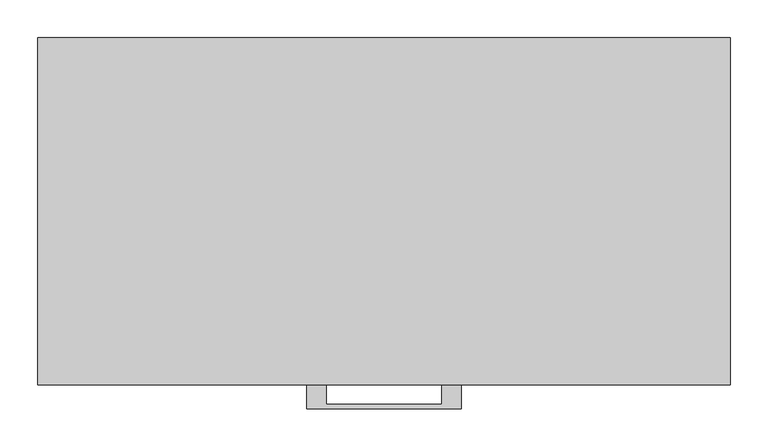
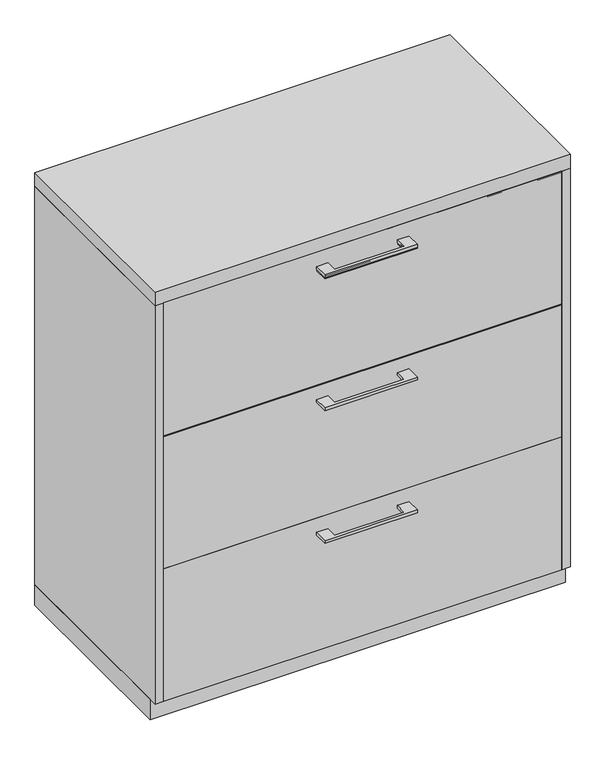
"""IFC4 building model written with IfcOpenShell, lengths in millimetres: furniture geometry."""

import ifcopenshell
import ifcopenshell.guid

model = None  # the IFC model being written
_history = None  # IfcOwnerHistory: only IFC2X3 demands one
_inside = {}  # id of a spatial element -> (the spatial element, [elements in it])
_under = {}  # id of a project, library or spatial element -> (it, [spatial elements below it])
_declared = {}  # id of a project -> (the project, [libraries it declares])
_typed = {}  # id of a type object -> (the type object, [elements of that type])
_made_of = {}  # id of a material, layer set ... -> (it, [elements and type objects made of it])


def new_model(schema):
    """Start an empty IFC model of exactly this schema.

    Asked for "IFC4X3", IfcOpenShell would pick the latest addendum, in which some entities
    have other attributes; the version numbers below select the first issue.
    IFC2X3 requires an IfcOwnerHistory on every rooted entity: one is made here for all.
    """
    global model, _history
    if schema == "IFC4X3":
        model = ifcopenshell.file(schema_version=(4, 3, 0, 0))
    else:
        model = ifcopenshell.file(schema=schema)
    _inside.clear()
    _under.clear()
    _declared.clear()
    _typed.clear()
    _made_of.clear()
    _history = None
    if model.schema == "IFC2X3":
        org = make("IfcOrganization", Name="unknown")
        user = make(
            "IfcPersonAndOrganization",
            ThePerson=make("IfcPerson", FamilyName="unknown"),
            TheOrganization=org,
        )
        app = make(
            "IfcApplication",
            ApplicationDeveloper=org,
            Version="unknown",
            ApplicationFullName="unknown",
            ApplicationIdentifier="unknown",
        )
        _history = make(
            "IfcOwnerHistory",
            OwningUser=user,
            OwningApplication=app,
            ChangeAction="ADDED",
            CreationDate=0,
        )
    return model


def make(cls, **values):
    """One entity of the class cls with the attributes given. An attribute that is None is left unset."""
    return model.create_entity(
        cls, **{name: value for name, value in values.items() if value is not None}
    )


def rooted(cls, **values):
    """An entity with a GlobalId (a new one), such as an element, a storey or a relation."""
    return make(cls, GlobalId=ifcopenshell.guid.new(), OwnerHistory=_history, **values)


def si_unit(unit_type, name, prefix=None):
    """IfcSIUnit, for example si_unit("LENGTHUNIT", "METRE", prefix="MILLI")."""
    return make("IfcSIUnit", UnitType=unit_type, Prefix=prefix, Name=name)


def assignment(units):
    """IfcUnitAssignment: the units of a project."""
    return None if units is None else make("IfcUnitAssignment", Units=units)


def point(xyz):
    """IfcCartesianPoint."""
    return None if xyz is None else make("IfcCartesianPoint", Coordinates=xyz)


def direction(xyz):
    """IfcDirection."""
    return None if xyz is None else make("IfcDirection", DirectionRatios=xyz)


def frame(location, z_axis=None, x_axis=None):
    """IfcAxis2Placement3D, a coordinate frame: its origin and axes. An axis left out is left unset."""
    return make(
        "IfcAxis2Placement3D",
        Location=point(location),
        Axis=direction(z_axis),
        RefDirection=direction(x_axis),
    )


def origin():
    """The frame at (0, 0, 0) with its axes left unset."""
    return frame((0.0, 0.0, 0.0))


def origin_with_axes():
    """The frame at (0, 0, 0) with the z axis (0, 0, 1) and the x axis (1, 0, 0) written out."""
    return frame((0.0, 0.0, 0.0), z_axis=(0.0, 0.0, 1.0), x_axis=(1.0, 0.0, 0.0))


def place(relative_to, where):
    """IfcLocalPlacement: puts the frame where relative to a parent placement (None: the world)."""
    return make(
        "IfcLocalPlacement", PlacementRelTo=relative_to, RelativePlacement=where
    )


def context(
    kind, dimensions, precision=None, world=None, true_north=None, identifier=None
):
    """IfcGeometricRepresentationContext, for example the 3D "Model" context."""
    return make(
        "IfcGeometricRepresentationContext",
        ContextIdentifier=identifier,
        ContextType=kind,
        CoordinateSpaceDimension=dimensions,
        Precision=precision,
        WorldCoordinateSystem=world,
        TrueNorth=true_north,
    )


def project(units=None, contexts=None):
    """IfcProject with its units and contexts."""
    return rooted(
        "IfcProject",
        Name="project",
        RepresentationContexts=contexts,
        UnitsInContext=assignment(units),
    )


def spatial(cls, under=None, at=None, **own):
    """A site, building, storey or space (cls), placed at a placement, below another one or the project."""
    s = rooted(cls, ObjectPlacement=at, **own)
    if under is not None:
        _under.setdefault(under.id(), (under, []))[1].append(s)
    return s


def polyline(points):
    """IfcPolyline through the points."""
    return make("IfcPolyline", Points=[point(p) for p in points])


def outline(outer, holes=None, kind="AREA"):
    """IfcArbitraryClosedProfileDef: a profile drawn as a closed curve; with holes, ...WithVoids."""
    if holes is None:
        return make("IfcArbitraryClosedProfileDef", ProfileType=kind, OuterCurve=outer)
    return make(
        "IfcArbitraryProfileDefWithVoids",
        ProfileType=kind,
        OuterCurve=outer,
        InnerCurves=holes,
    )


def extrude(swept, where, along, depth):
    """IfcExtrudedAreaSolid: the profile swept, set in the frame where, extruded along a direction by depth."""
    return make(
        "IfcExtrudedAreaSolid",
        SweptArea=swept,
        Position=where,
        ExtrudedDirection=direction(along),
        Depth=depth,
    )


def shape(context_of_items, identifier, shape_type, items):
    """IfcShapeRepresentation: the items that make up one representation, for example the "Body"."""
    return make(
        "IfcShapeRepresentation",
        ContextOfItems=context_of_items,
        RepresentationIdentifier=identifier,
        RepresentationType=shape_type,
        Items=items,
    )


def source(mapping_origin, context_of_items, identifier, shape_type, items):
    """IfcRepresentationMap: a shape defined once, which mapped items show again and again."""
    return make(
        "IfcRepresentationMap",
        MappingOrigin=mapping_origin,
        MappedRepresentation=shape(context_of_items, identifier, shape_type, items),
    )


def transform(
    local_origin,
    x_axis=None,
    y_axis=None,
    z_axis=None,
    scale=None,
    scale2=None,
    scale3=None,
    uniform=True,
):
    """IfcCartesianTransformationOperator3D, or its non-uniform kind. x_axis, y_axis, z_axis: its Axis1, 2, 3."""
    if uniform:
        return make(
            "IfcCartesianTransformationOperator3D",
            Axis1=direction(x_axis),
            Axis2=direction(y_axis),
            LocalOrigin=point(local_origin),
            Scale=scale,
            Axis3=direction(z_axis),
        )
    return make(
        "IfcCartesianTransformationOperator3DnonUniform",
        Axis1=direction(x_axis),
        Axis2=direction(y_axis),
        LocalOrigin=point(local_origin),
        Scale=scale,
        Axis3=direction(z_axis),
        Scale2=scale2,
        Scale3=scale3,
    )


def mapped(mapping_source, mapping_target):
    """IfcMappedItem: shows the shape of a source again, moved by a transform."""
    return make(
        "IfcMappedItem", MappingSource=mapping_source, MappingTarget=mapping_target
    )


def made_of(thing, what):
    """Note that an element or type object is made of a material, layer set ...; save() writes the relation."""
    if what is not None:
        _made_of.setdefault(what.id(), (what, []))[1].append(thing)
    return thing


def element(
    cls,
    number,
    at=None,
    inside=None,
    cuts=None,
    type_object=None,
    material=None,
    context=None,
    identifier="Body",
    shape_type=None,
    held_by="IfcProductDefinitionShape",
    body=None,
    shapes=None,
    **own,
):
    """One element of the class cls, such as IfcWall. Its Tag is "e" and its number.

    at: its placement. inside: the storey or other place that contains it. cuts: it is an
    opening in that element (IfcRelVoidsElement). A single representation is given by context,
    identifier, shape_type and body (its items); several are given by shapes. held_by: the class
    of the entity that holds the representations. save() writes the other relations.
    """
    e = rooted(cls, Tag="e%d" % number, ObjectPlacement=at, **own)
    if body is not None:
        shapes = [shape(context, identifier, shape_type, body)]
    if shapes is not None:
        e.Representation = make(held_by, Representations=shapes)
    if inside is not None:
        _inside.setdefault(inside.id(), (inside, []))[1].append(e)
    if cuts is not None:
        rooted(
            "IfcRelVoidsElement", RelatingBuildingElement=cuts, RelatedOpeningElement=e
        )
    if type_object is not None:
        _typed.setdefault(type_object.id(), (type_object, []))[1].append(e)
    return made_of(e, material)


def aggregate(whole, parts):
    """IfcRelAggregates: a whole, such as a stair, and the parts it consists of."""
    return rooted("IfcRelAggregates", RelatingObject=whole, RelatedObjects=parts)


def save(model, path):
    """Write the relations noted so far, then the file.

    IfcRelAggregates (storeys below a building ...), IfcRelContainedInSpatialStructure (elements
    in a storey), IfcRelDefinesByType, IfcRelAssociatesMaterial and IfcRelDeclares: one each for
    every whole, place, type object, material and project.
    """
    for whole, parts in _under.values():
        aggregate(whole, parts)
    for where, things in _inside.values():
        rooted(
            "IfcRelContainedInSpatialStructure",
            RelatedElements=things,
            RelatingStructure=where,
        )
    for kind, things in _typed.values():
        rooted("IfcRelDefinesByType", RelatedObjects=things, RelatingType=kind)
    for what, things in _made_of.values():
        rooted("IfcRelAssociatesMaterial", RelatedObjects=things, RelatingMaterial=what)
    for by, libraries in _declared.values():
        rooted("IfcRelDeclares", RelatingContext=by, RelatedDefinitions=libraries)
    model.write(path)


def furniture_5914ba7d(model_context):
    return source(origin(), model_context, "Body", "SweptSolid", [
        extrude(outline(polyline([(-76.1999818, -457.2), (-76.1999818, -482.5999758), (76.2, -482.5999758), (76.2, -457.2), (101.5999939, -457.2), (101.5999939, -488.9499879), (-101.5999939, -488.9499879), (-101.5999939, -457.2), (-76.1999818, -457.2)])), frame((0.0, 0.0, 931.8625506), z_axis=(0.0, 0.0, 1.0), x_axis=(1.0, 0.0, 0.0)), (0.0, 0.0, 1.0), 6.3499758),
        extrude(outline(polyline([(436.5625, -438.15), (436.5625, -457.2), (-436.5625, -457.2), (-436.5625, -438.15), (436.5625, -438.15)])), frame((0.0, 0.0, 663.575), z_axis=(0.0, 0.0, 1.0), x_axis=(1.0, 0.0, 0.0)), (0.0, 0.0, 1.0), 307.975),
        extrude(outline(polyline([(-76.1999818, -457.2), (-76.1999818, -482.5999758), (76.2, -482.5999758), (76.2, -457.2), (101.5999939, -457.2), (101.5999939, -488.9499879), (-101.5999939, -488.9499879), (-101.5999939, -457.2), (-76.1999818, -457.2)])), frame((0.0, 0.0, 929.3225506), z_axis=(0.0, 0.0, 1.0), x_axis=(1.0, 0.0, 0.0)), (0.0, 0.0, 1.0), 6.3499758),
        extrude(outline(polyline([(436.5625, -438.15), (436.5625, -457.2), (-436.5625, -457.2), (-436.5625, -438.15), (436.5625, -438.15)])), frame((0.0, 0.0, 661.035), z_axis=(0.0, 0.0, 1.0), x_axis=(1.0, 0.0, 0.0)), (0.0, 0.0, 1.0), 307.975),
        extrude(outline(polyline([(-76.1999818, -457.2), (-76.1999818, -482.5999758), (76.2, -482.5999758), (76.2, -457.2), (101.5999939, -457.2), (101.5999939, -488.9499879), (-101.5999939, -488.9499879), (-101.5999939, -457.2), (-76.1999818, -457.2)])), frame((0.0, 0.0, 623.8875506), z_axis=(0.0, 0.0, 1.0), x_axis=(1.0, 0.0, 0.0)), (0.0, 0.0, 1.0), 6.3499758),
        extrude(outline(polyline([(436.5625, -438.15), (436.5625, -457.2), (-436.5625, -457.2), (-436.5625, -438.15), (436.5625, -438.15)])), frame((0.0, 0.0, 355.6), z_axis=(0.0, 0.0, 1.0), x_axis=(1.0, 0.0, 0.0)), (0.0, 0.0, 1.0), 307.975),
        extrude(outline(polyline([(-76.1999818, -457.2), (-76.1999818, -482.5999758), (76.2, -482.5999758), (76.2, -457.2), (101.5999939, -457.2), (101.5999939, -488.9499879), (-101.5999939, -488.9499879), (-101.5999939, -457.2), (-76.1999818, -457.2)])), frame((0.0, 0.0, 315.9125506), z_axis=(0.0, 0.0, 1.0), x_axis=(1.0, 0.0, 0.0)), (0.0, 0.0, 1.0), 6.3499758),
        extrude(outline(polyline([(436.5625, -438.15), (436.5625, -457.2), (-436.5625, -457.2), (-436.5625, -438.15), (436.5625, -438.15)])), frame((0.0, 0.0, 47.625), z_axis=(0.0, 0.0, 1.0), x_axis=(1.0, 0.0, 0.0)), (0.0, 0.0, 1.0), 307.975),
        extrude(outline(polyline([(455.6125, 0.0), (455.6125, -438.15), (-455.6125, -438.15), (-455.6125, 0.0), (455.6125, 0.0)])), origin_with_axes(), (0.0, 0.0, 1.0), 47.625),
        extrude(outline(polyline([(455.6125, 0.0), (455.6125, -457.2), (-455.6125, -457.2), (-455.6125, 0.0), (455.6125, 0.0)])), frame((0.0, 0.0, 971.55), z_axis=(0.0, 0.0, 1.0), x_axis=(1.0, 0.0, 0.0)), (0.0, 0.0, 1.0), 31.75),
        extrude(outline(polyline([(455.6125, 0.0), (455.6125, -457.2), (436.5625, -457.2), (436.5625, -19.05), (-436.5625, -19.05), (-436.5625, -457.2), (-455.6125, -457.2), (-455.6125, 0.0), (455.6125, 0.0)])), frame((0.0, 0.0, 47.625), z_axis=(0.0, 0.0, 1.0), x_axis=(1.0, 0.0, 0.0)), (0.0, 0.0, 1.0), 923.925),
    ])


if __name__ == "__main__":
    model = new_model("IFC4")
    model_context = context("Model", 3, world=origin())
    ifc_project = project(units=[si_unit("LENGTHUNIT", "METRE", prefix="MILLI")], contexts=[model_context])
    site = spatial("IfcSite", under=ifc_project)
    building = spatial("IfcBuilding", under=site)
    placement = place(None, origin())
    furniture_shape = furniture_5914ba7d(model_context)
    element("IfcFurniture", 1, at=placement, inside=building, context=model_context, shape_type="MappedRepresentation", body=[
        mapped(furniture_shape, transform((0.0, 0.0, 0.0), x_axis=(1.0, 0.0, 0.0), y_axis=(0.0, 1.0, 0.0), z_axis=(0.0, 0.0, 1.0))),
    ])
    save(model, "model.ifc")
